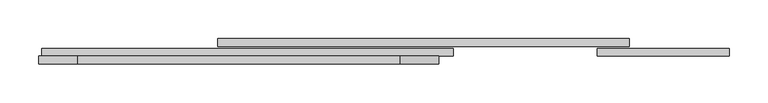
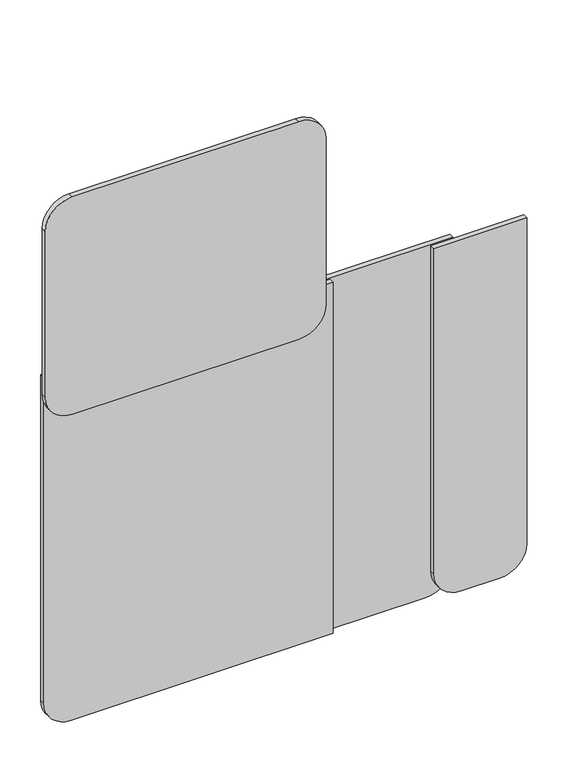
"""IFC4 building model written with IfcOpenShell, lengths in millimetres: proxy geometry."""

from ifc_helpers import new_model, si_unit, point, frame, frame_2d, origin, place, context, project, spatial, polyline, circle_curve, trimmed, segment, composite_curve, outline, extrude, source, transform, mapped, element, save


def specialty_equipment_daa85de1(model_context):
    return source(origin(), model_context, "Body", "SweptSolid", [
        extrude(outline(composite_curve([segment(polyline([(708.3957885, -363.4997748), (708.3957885, 51.4999789)]), True, "CONTINUOUS"), segment(trimmed(circle_curve(frame_2d((758.3957885, 51.4999789)), 50.0), [point((708.3957885, 51.4999789))], [point((758.3957885, 101.4999789))], False, "CARTESIAN"), True, "CONTINUOUS"), segment(polyline([(758.3957885, 101.4999789), (1079.3496683, 101.4999789)]), True, "CONTINUOUS"), segment(trimmed(circle_curve(frame_2d((1079.3496683, 51.4999789)), 50.0), [point((1079.3496683, 101.4999789))], [point((1129.3496683, 51.4999789))], False, "CARTESIAN"), True, "CONTINUOUS"), segment(polyline([(1129.3496683, 51.4999789), (1129.3496683, -363.4997748)]), True, "CONTINUOUS"), segment(trimmed(circle_curve(frame_2d((1079.3496683, -363.4997748)), 50.0), [point((1129.3496683, -363.4997748))], [point((1079.3496683, -413.4997748))], False, "CARTESIAN"), True, "CONTINUOUS"), segment(polyline([(1079.3496683, -413.4997748), (758.3957885, -413.4997748)]), True, "CONTINUOUS"), segment(trimmed(circle_curve(frame_2d((758.3957885, -363.4997748)), 50.0), [point((758.3957885, -413.4997748))], [point((708.3957885, -363.4997748))], False, "CARTESIAN"), True, "CONTINUOUS")], self_intersect=False)), frame((0.0, -32.5, 0.0), z_axis=(0.0, 1.0, 0.0), x_axis=(0.0, 0.0, 1.0)), (0.0, 0.0, 1.0), 10.0),
        extrude(outline(composite_curve([segment(polyline([(788.6077885, 474.9999789), (788.6077885, 305.0001829), (158.6079724, 305.0001829)]), True, "CONTINUOUS"), segment(trimmed(circle_curve(frame_2d((158.6079724, 355.0001829)), 50.0), [point((158.6079724, 305.0001829))], [point((108.6079724, 355.0001829))], False, "CARTESIAN"), True, "CONTINUOUS"), segment(polyline([(108.6079724, 355.0001829), (108.6079724, 424.9999789)]), True, "CONTINUOUS"), segment(trimmed(circle_curve(frame_2d((158.6079724, 424.9999789)), 50.0), [point((108.6079724, 424.9999789))], [point((158.6079724, 474.9999789))], False, "CARTESIAN"), True, "CONTINUOUS"), segment(polyline([(158.6079724, 474.9999789), (788.6077885, 474.9999789)]), True, "CONTINUOUS")], self_intersect=False)), frame((0.0, -22.5, 0.0), z_axis=(0.0, 1.0, 0.0), x_axis=(0.0, 0.0, 1.0)), (0.0, 0.0, 1.0), 10.0),
        extrude(outline(composite_curve([segment(polyline([(788.6077885, 346.7315737), (788.6077885, -183.2686303), (108.6079724, -183.2686303), (108.6079724, 296.7315737)]), True, "CONTINUOUS"), segment(trimmed(circle_curve(frame_2d((158.6079724, 296.7315737)), 50.0), [point((108.6079724, 296.7315737))], [point((158.6079724, 346.7315737))], False, "CARTESIAN"), True, "CONTINUOUS"), segment(polyline([(158.6079724, 346.7315737), (788.6077885, 346.7315737)]), True, "CONTINUOUS")], self_intersect=False)), frame((0.0, -10.0, 0.0), z_axis=(0.0, 1.0, 0.0), x_axis=(0.0, 0.0, 1.0)), (0.0, 0.0, 1.0), 10.0),
        extrude(outline(composite_curve([segment(polyline([(788.6077885, 120.0001829), (788.6077885, -410.0000211), (158.6079724, -410.0000211)]), True, "CONTINUOUS"), segment(trimmed(circle_curve(frame_2d((158.6079724, -360.0000211)), 50.0), [point((158.6079724, -410.0000211))], [point((108.6079724, -360.0000211))], False, "CARTESIAN"), True, "CONTINUOUS"), segment(polyline([(108.6079724, -360.0000211), (108.6079724, 120.0001829), (788.6077885, 120.0001829)]), True, "CONTINUOUS")], self_intersect=False)), frame((0.0, -22.5, 0.0), z_axis=(0.0, 1.0, 0.0), x_axis=(0.0, 0.0, 1.0)), (0.0, 0.0, 1.0), 10.0),
    ])


if __name__ == "__main__":
    model = new_model("IFC4")
    model_context = context("Model", 3, world=origin())
    ifc_project = project(units=[si_unit("LENGTHUNIT", "METRE", prefix="MILLI")], contexts=[model_context])
    site = spatial("IfcSite", under=ifc_project)
    building = spatial("IfcBuilding", under=site)
    placement = place(None, origin())
    specialty_equipment_shape = specialty_equipment_daa85de1(model_context)
    element("IfcBuildingElementProxy", 1, Name="Specialty Equipment", at=placement, inside=building, context=model_context, shape_type="MappedRepresentation", body=[
        mapped(specialty_equipment_shape, transform((0.0, 0.0, 0.0), x_axis=(1.0, 0.0, 0.0), y_axis=(0.0, 1.0, 0.0), z_axis=(0.0, 0.0, 1.0))),
    ])
    save(model, "model.ifc")
